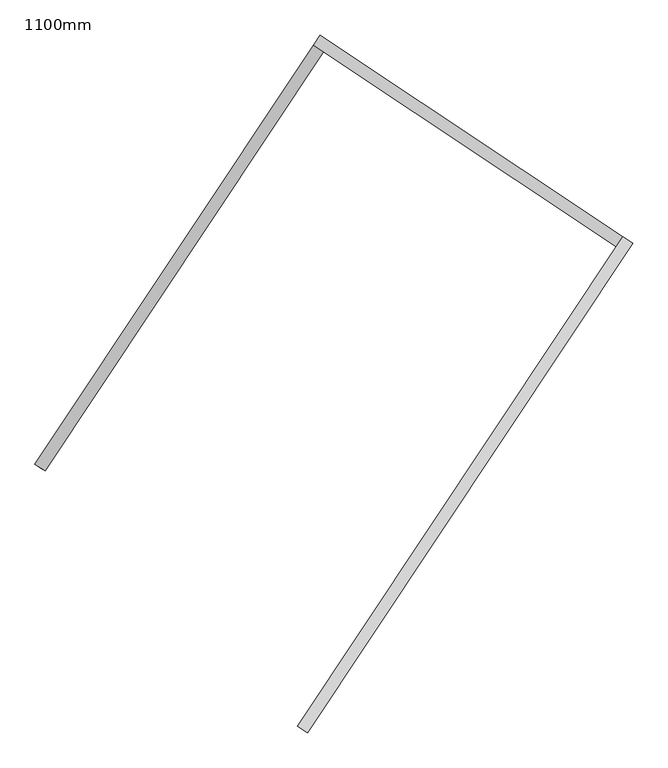
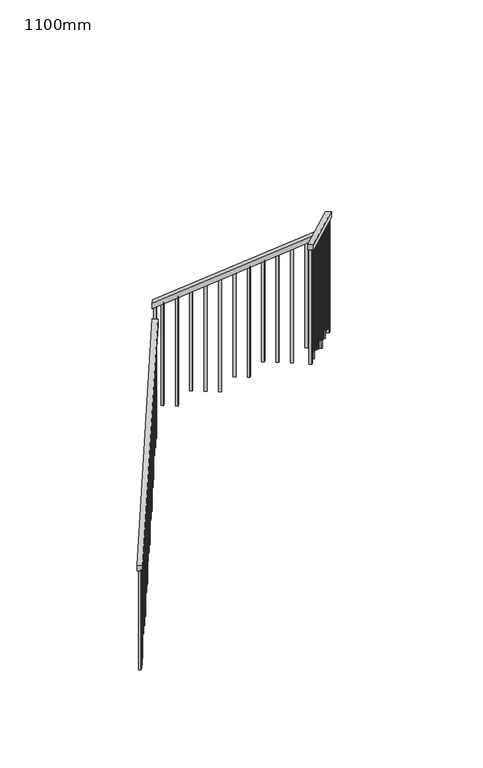
"""IFC4 building model written with IfcOpenShell, lengths in millimetres: railing geometry, 1100mm."""

from ifc_helpers import new_model, si_unit, frame, origin, place, context, project, spatial, polyline, outline, extrude, source, transform, mapped, element, save


def railing_1100mm_6394d44f(model_context):
    return source(origin(), model_context, "Body", "SweptSolid", [
        extrude(outline(polyline([(27.7777778, -50.0000001), (0.0, 0.0), (2374.1723105, 0.0), (2401.9500883, -50.0000001), (27.7777778, -50.0000001)])), frame((-240410.9600837, 66972.032333, 1889.4687214), z_axis=(-0.8325833518276936, 0.5538997763669554, 0.0), x_axis=(0.484195519753174, 0.7278087949776981, 0.48564293117893187)), (0.0, 0.0, 1.0), 50.0),
        extrude(outline(polyline([(27.7777778, -50.0), (0.0, 0.0), (1716.8535239, 1e-07), (1744.6313018, -50.0), (27.7777778, -50.0)])), frame((-239303.0256555, 68727.6708102, 3208.6909437), z_axis=(0.553899776367991, 0.8325833518270044, 0.0), x_axis=(0.7278087949775176, -0.4841955197543606, 0.4856429311780193)), (0.0, 0.0, 1.0), 50.0),
        extrude(outline(polyline([(-27.7777778, -50.0), (0.0, 0.0), (2774.5579271, 0.0), (2746.7801493, -50.0), (-27.7777778, -50.0)])), frame((-237984.1604046, 67910.3122046, 4265.8888889), z_axis=(-0.8325833518275974, 0.5538997763671002, 0.0), x_axis=(-0.48419551975350505, -0.7278087949779197, 0.4856429311782695)), (0.0, 0.0, 1.0), 50.0),
        extrude(outline(polyline([(1260.6353881, -24.9999999), (106.9444445, -24.9999999), (93.0555556, 0.0), (1260.6353881, 0.0), (1260.6353881, -24.9999999)])), frame((-239296.232171, 65960.6650751, 5607.3020548), z_axis=(-0.8325833518276005, 0.5538997763670953, 0.0), x_axis=(0.0, 0.0, -1.0)), (0.0, 0.0, 1.0), 25.0),
        extrude(outline(polyline([(1191.1909436, -25.0), (106.9444444, -25.0), (93.0555555, 0.0), (1191.1909436, 0.0), (1191.1909436, -25.0)])), frame((-239226.9946989, 66064.737994, 5537.8576103), z_axis=(-0.8325833518276005, 0.5538997763670953, 0.0), x_axis=(0.0, 0.0, -1.0)), (0.0, 0.0, 1.0), 25.0),
        extrude(outline(polyline([(1288.4131659, -25.0), (106.9444445, -25.0), (93.0555556, 0.0), (1288.4131659, 0.0), (1288.4131659, -25.0)])), frame((-239157.7572269, 66168.810913, 5468.4131659), z_axis=(-0.8325833518276005, 0.5538997763670953, 0.0), x_axis=(0.0, 0.0, -1.0)), (0.0, 0.0, 1.0), 25.0),
        extrude(outline(polyline([(1218.9687214, -25.0), (106.9444444, -25.0), (93.0555555, 0.0), (1218.9687214, 0.0), (1218.9687214, -25.0)])), frame((-239088.5197548, 66272.883832, 5398.9687214), z_axis=(-0.8325833518276005, 0.5538997763670953, 0.0), x_axis=(0.0, 0.0, -1.0)), (0.0, 0.0, 1.0), 25.0),
        extrude(outline(polyline([(1149.524277, -25.0), (106.9444445, -25.0), (93.0555556, 0.0), (1149.524277, 0.0), (1149.524277, -25.0)])), frame((-239019.2822828, 66376.956751, 5329.524277), z_axis=(-0.8325833518276005, 0.5538997763670953, 0.0), x_axis=(0.0, 0.0, -1.0)), (0.0, 0.0, 1.0), 25.0),
        extrude(outline(polyline([(1246.7464992, -25.0000001), (106.9444444, -25.0000001), (93.0555555, 0.0), (1246.7464992, 0.0), (1246.7464992, -25.0000001)])), frame((-238950.0448108, 66481.0296699, 5260.0798325), z_axis=(-0.8325833518276005, 0.5538997763670953, 0.0), x_axis=(0.0, 0.0, -1.0)), (0.0, 0.0, 1.0), 25.0),
        extrude(outline(polyline([(1177.3020548, -25.0), (106.9444444, -25.0), (93.0555555, 0.0), (1177.3020548, 0.0), (1177.3020548, -25.0)])), frame((-238880.8073387, 66585.1025889, 5190.6353881), z_axis=(-0.8325833518276005, 0.5538997763670953, 0.0), x_axis=(0.0, 0.0, -1.0)), (0.0, 0.0, 1.0), 25.0),
        extrude(outline(polyline([(1274.524277, -25.0000001), (106.9444445, -25.0000001), (93.0555556, 0.0), (1274.524277, 0.0), (1274.524277, -25.0000001)])), frame((-238811.5698667, 66689.1755079, 5121.1909437), z_axis=(-0.8325833518276005, 0.5538997763670953, 0.0), x_axis=(0.0, 0.0, -1.0)), (0.0, 0.0, 1.0), 25.0),
        extrude(outline(polyline([(1205.0798325, -25.0), (106.9444444, -25.0), (93.0555555, 0.0), (1205.0798325, 0.0), (1205.0798325, -25.0)])), frame((-238742.3323946, 66793.2484269, 5051.7464992), z_axis=(-0.8325833518276005, 0.5538997763670953, 0.0), x_axis=(0.0, 0.0, -1.0)), (0.0, 0.0, 1.0), 25.0),
        extrude(outline(polyline([(1302.3020548, -25.0), (106.9444445, -25.0), (93.0555556, 0.0), (1302.3020548, 0.0), (1302.3020548, -25.0)])), frame((-238673.0949226, 66897.3213459, 4982.3020548), z_axis=(-0.8325833518276005, 0.5538997763670953, 0.0), x_axis=(0.0, 0.0, -1.0)), (0.0, 0.0, 1.0), 25.0),
        extrude(outline(polyline([(1232.8576103, -25.0), (106.9444444, -25.0), (93.0555555, 0.0), (1232.8576103, 0.0), (1232.8576103, -25.0)])), frame((-238603.8574505, 67001.3942648, 4912.8576103), z_axis=(-0.8325833518276005, 0.5538997763670953, 0.0), x_axis=(0.0, 0.0, -1.0)), (0.0, 0.0, 1.0), 25.0),
        extrude(outline(polyline([(1163.4131659, -25.0), (106.9444445, -25.0), (93.0555556, 0.0), (1163.4131659, 0.0), (1163.4131659, -25.0)])), frame((-238534.6199785, 67105.4671838, 4843.4131659), z_axis=(-0.8325833518276005, 0.5538997763670953, 0.0), x_axis=(0.0, 0.0, -1.0)), (0.0, 0.0, 1.0), 25.0),
        extrude(outline(polyline([(1260.6353881, -25.0), (106.9444444, -25.0), (93.0555555, 0.0), (1260.6353881, 0.0), (1260.6353881, -25.0)])), frame((-238465.3825064, 67209.5401028, 4773.9687214), z_axis=(-0.8325833518276005, 0.5538997763670953, 0.0), x_axis=(0.0, 0.0, -1.0)), (0.0, 0.0, 1.0), 25.0),
        extrude(outline(polyline([(1191.1909437, -25.0), (106.9444445, -25.0), (93.0555556, 0.0), (1191.1909437, 0.0), (1191.1909437, -25.0)])), frame((-238396.1450344, 67313.6130218, 4704.524277), z_axis=(-0.8325833518276005, 0.5538997763670953, 0.0), x_axis=(0.0, 0.0, -1.0)), (0.0, 0.0, 1.0), 25.0),
        extrude(outline(polyline([(1288.4131658, -25.0), (106.9444444, -25.0), (93.0555555, 0.0), (1288.4131658, 0.0), (1288.4131658, -25.0)])), frame((-238326.9075623, 67417.6859407, 4635.0798325), z_axis=(-0.8325833518276005, 0.5538997763670953, 0.0), x_axis=(0.0, 0.0, -1.0)), (0.0, 0.0, 1.0), 25.0),
        extrude(outline(polyline([(1218.9687214, -25.0), (106.9444444, -25.0), (93.0555556, 0.0), (1218.9687214, 0.0), (1218.9687214, -25.0)])), frame((-238257.6700903, 67521.7588597, 4565.6353881), z_axis=(-0.8325833518276005, 0.5538997763670953, 0.0), x_axis=(0.0, 0.0, -1.0)), (0.0, 0.0, 1.0), 25.0),
        extrude(outline(polyline([(1149.524277, -25.0), (106.9444445, -25.0), (93.0555556, 0.0), (1149.524277, 0.0), (1149.524277, -25.0)])), frame((-238188.4326182, 67625.8317787, 4496.1909437), z_axis=(-0.8325833518276005, 0.5538997763670953, 0.0), x_axis=(0.0, 0.0, -1.0)), (0.0, 0.0, 1.0), 25.0),
        extrude(outline(polyline([(1246.7464992, -25.0), (106.9444444, -25.0), (93.0555555, 0.0), (1246.7464992, 0.0), (1246.7464992, -25.0)])), frame((-238119.1951462, 67729.9046977, 4426.7464992), z_axis=(-0.8325833518276005, 0.5538997763670953, 0.0), x_axis=(0.0, 0.0, -1.0)), (0.0, 0.0, 1.0), 25.0),
        extrude(outline(polyline([(1177.3020548, -25.0000001), (106.9444445, -25.0000001), (93.0555556, 0.0), (1177.3020548, 0.0), (1177.3020548, -25.0000001)])), frame((-238049.9576742, 67833.9776167, 4357.3020548), z_axis=(-0.8325833518276005, 0.5538997763670953, 0.0), x_axis=(0.0, 0.0, -1.0)), (0.0, 0.0, 1.0), 25.0),
        extrude(outline(polyline([(106.9444445, 0.0), (1274.524277, 0.0), (1274.524277, -25.0), (93.0555556, -25.0), (106.9444445, 0.0)])), frame((-238088.8560481, 67934.9234264, 4121.1909437), z_axis=(0.5538997763679938, 0.8325833518270027, 0.0), x_axis=(0.0, 0.0, -1.0)), (0.0, 0.0, 1.0), 25.0),
        extrude(outline(polyline([(106.9444444, 0.0), (1205.0798325, 0.0), (1205.0798325, -25.0000001), (93.0555555, -25.0000001), (106.9444444, 0.0)])), frame((-238192.9289671, 68004.1608985, 4051.7464992), z_axis=(0.5538997763679938, 0.8325833518270027, 0.0), x_axis=(0.0, 0.0, -1.0)), (0.0, 0.0, 1.0), 25.0),
        extrude(outline(polyline([(106.9444445, 0.0), (1302.3020548, 0.0), (1302.3020548, -25.0), (93.0555556, -25.0), (106.9444445, 0.0)])), frame((-238297.0018861, 68073.3983705, 3982.3020548), z_axis=(0.5538997763679938, 0.8325833518270027, 0.0), x_axis=(0.0, 0.0, -1.0)), (0.0, 0.0, 1.0), 25.0),
        extrude(outline(polyline([(106.9444444, 0.0), (1232.8576103, 0.0), (1232.8576103, -25.0), (93.0555555, -25.0), (106.9444444, 0.0)])), frame((-238401.074805, 68142.6358425, 3912.8576103), z_axis=(0.5538997763679938, 0.8325833518270027, 0.0), x_axis=(0.0, 0.0, -1.0)), (0.0, 0.0, 1.0), 25.0),
        extrude(outline(polyline([(106.9444445, 0.0), (1163.4131659, 0.0), (1163.4131659, -25.0), (93.0555556, -25.0), (106.9444445, 0.0)])), frame((-238505.147724, 68211.8733146, 3843.4131659), z_axis=(0.5538997763679938, 0.8325833518270027, 0.0), x_axis=(0.0, 0.0, -1.0)), (0.0, 0.0, 1.0), 25.0),
        extrude(outline(polyline([(106.9444444, 0.0), (1260.6353881, 0.0), (1260.6353881, -25.0), (93.0555555, -25.0), (106.9444444, 0.0)])), frame((-238609.220643, 68281.1107866, 3773.9687214), z_axis=(0.5538997763679938, 0.8325833518270027, 0.0), x_axis=(0.0, 0.0, -1.0)), (0.0, 0.0, 1.0), 25.0),
        extrude(outline(polyline([(106.9444445, 0.0), (1191.1909437, 0.0), (1191.1909437, -25.0), (93.0555556, -25.0), (106.9444445, 0.0)])), frame((-238713.293562, 68350.3482587, 3704.524277), z_axis=(0.5538997763679938, 0.8325833518270027, 0.0), x_axis=(0.0, 0.0, -1.0)), (0.0, 0.0, 1.0), 25.0),
        extrude(outline(polyline([(106.9444444, 0.0), (1288.4131658, 0.0), (1288.4131658, -24.9999999), (93.0555555, -24.9999999), (106.9444444, 0.0)])), frame((-238817.3664809, 68419.5857307, 3635.0798325), z_axis=(0.5538997763679938, 0.8325833518270027, 0.0), x_axis=(0.0, 0.0, -1.0)), (0.0, 0.0, 1.0), 25.0),
        extrude(outline(polyline([(106.9444444, 0.0), (1218.9687214, 0.0), (1218.9687214, -25.0), (93.0555556, -25.0), (106.9444444, 0.0)])), frame((-238921.4393999, 68488.8232028, 3565.6353881), z_axis=(0.5538997763679938, 0.8325833518270027, 0.0), x_axis=(0.0, 0.0, -1.0)), (0.0, 0.0, 1.0), 25.0),
        extrude(outline(polyline([(106.9444445, 0.0), (1149.524277, 0.0), (1149.524277, -25.0), (93.0555556, -25.0), (106.9444445, 0.0)])), frame((-239025.5123189, 68558.0606748, 3496.1909437), z_axis=(0.5538997763679938, 0.8325833518270027, 0.0), x_axis=(0.0, 0.0, -1.0)), (0.0, 0.0, 1.0), 25.0),
        extrude(outline(polyline([(106.9444444, 0.0), (1246.7464992, 0.0), (1246.7464992, -25.0), (93.0555555, -25.0), (106.9444444, 0.0)])), frame((-239129.5852379, 68627.2981469, 3426.7464992), z_axis=(0.5538997763679938, 0.8325833518270027, 0.0), x_axis=(0.0, 0.0, -1.0)), (0.0, 0.0, 1.0), 25.0),
        extrude(outline(polyline([(106.9444445, 0.0), (1177.3020548, 0.0), (1177.3020548, -25.0), (93.0555556, -25.0), (106.9444445, 0.0)])), frame((-239233.6581569, 68696.5356189, 3357.3020548), z_axis=(0.5538997763679938, 0.8325833518270027, 0.0), x_axis=(0.0, 0.0, -1.0)), (0.0, 0.0, 1.0), 25.0),
        extrude(outline(polyline([(106.9444445, 0.0), (1288.6353881, 0.0), (1288.6353881, -25.0), (93.0555556, -25.0), (106.9444445, 0.0)])), frame((-239285.8728341, 68685.7519515, 3135.3020548), z_axis=(-0.8325833518276953, 0.5538997763669528, 0.0), x_axis=(0.0, 0.0, -1.0)), (0.0, 0.0, 1.0), 25.0),
        extrude(outline(polyline([(106.9444444, 0.0), (1219.1909436, 0.0), (1219.1909436, -25.0), (93.0555555, -25.0), (106.9444444, 0.0)])), frame((-239355.1103061, 68581.6790325, 3065.8576103), z_axis=(-0.8325833518276953, 0.5538997763669528, 0.0), x_axis=(0.0, 0.0, -1.0)), (0.0, 0.0, 1.0), 25.0),
        extrude(outline(polyline([(106.9444445, 0.0), (1149.7464992, 0.0), (1149.7464992, -25.0), (93.0555556, -25.0), (106.9444445, 0.0)])), frame((-239424.3477782, 68477.6061135, 2996.4131659), z_axis=(-0.8325833518276953, 0.5538997763669528, 0.0), x_axis=(0.0, 0.0, -1.0)), (0.0, 0.0, 1.0), 25.0),
        extrude(outline(polyline([(106.9444444, 0.0), (1246.9687214, 0.0), (1246.9687214, -25.0), (93.0555555, -25.0), (106.9444444, 0.0)])), frame((-239493.5852502, 68373.5331946, 2926.9687214), z_axis=(-0.8325833518276953, 0.5538997763669528, 0.0), x_axis=(0.0, 0.0, -1.0)), (0.0, 0.0, 1.0), 25.0),
        extrude(outline(polyline([(106.9444445, 0.0), (1177.524277, 0.0), (1177.524277, -25.0), (93.0555556, -25.0), (106.9444445, 0.0)])), frame((-239562.8227223, 68269.4602756, 2857.524277), z_axis=(-0.8325833518276953, 0.5538997763669528, 0.0), x_axis=(0.0, 0.0, -1.0)), (0.0, 0.0, 1.0), 25.0),
        extrude(outline(polyline([(106.9444444, 0.0), (1274.7464992, 0.0), (1274.7464992, -25.0), (93.0555555, -25.0), (106.9444444, 0.0)])), frame((-239632.0601943, 68165.3873566, 2788.0798325), z_axis=(-0.8325833518276953, 0.5538997763669528, 0.0), x_axis=(0.0, 0.0, -1.0)), (0.0, 0.0, 1.0), 25.0),
        extrude(outline(polyline([(106.9444444, 0.0), (1205.3020548, 0.0), (1205.3020548, -25.0000001), (93.0555556, -25.0000001), (106.9444444, 0.0)])), frame((-239701.2976664, 68061.3144376, 2718.6353881), z_axis=(-0.8325833518276953, 0.5538997763669528, 0.0), x_axis=(0.0, 0.0, -1.0)), (0.0, 0.0, 1.0), 25.0),
        extrude(outline(polyline([(106.9444445, 0.0), (1302.524277, 0.0), (1302.524277, -25.0), (93.0555556, -25.0), (106.9444445, 0.0)])), frame((-239770.5351384, 67957.2415186, 2649.1909437), z_axis=(-0.8325833518276953, 0.5538997763669528, 0.0), x_axis=(0.0, 0.0, -1.0)), (0.0, 0.0, 1.0), 25.0),
        extrude(outline(polyline([(106.9444444, 0.0), (1233.0798325, 0.0), (1233.0798325, -25.0), (93.0555555, -25.0), (106.9444444, 0.0)])), frame((-239839.7726104, 67853.1685997, 2579.7464992), z_axis=(-0.8325833518276953, 0.5538997763669528, 0.0), x_axis=(0.0, 0.0, -1.0)), (0.0, 0.0, 1.0), 25.0),
        extrude(outline(polyline([(106.9444445, 0.0), (1163.6353881, 0.0), (1163.6353881, -25.0), (93.0555556, -25.0), (106.9444445, 0.0)])), frame((-239909.0100825, 67749.0956807, 2510.3020548), z_axis=(-0.8325833518276953, 0.5538997763669528, 0.0), x_axis=(0.0, 0.0, -1.0)), (0.0, 0.0, 1.0), 25.0),
        extrude(outline(polyline([(106.9444444, 0.0), (1260.8576103, 0.0), (1260.8576103, -25.0), (93.0555555, -25.0), (106.9444444, 0.0)])), frame((-239978.2475545, 67645.0227617, 2440.8576103), z_axis=(-0.8325833518276953, 0.5538997763669528, 0.0), x_axis=(0.0, 0.0, -1.0)), (0.0, 0.0, 1.0), 25.0),
        extrude(outline(polyline([(106.9444445, 0.0), (1191.4131659, 0.0), (1191.4131659, -25.0), (93.0555556, -25.0), (106.9444445, 0.0)])), frame((-240047.4850266, 67540.9498427, 2371.4131659), z_axis=(-0.8325833518276953, 0.5538997763669528, 0.0), x_axis=(0.0, 0.0, -1.0)), (0.0, 0.0, 1.0), 25.0),
        extrude(outline(polyline([(106.9444444, 0.0), (1288.6353881, 0.0), (1288.6353881, -25.0), (93.0555555, -25.0), (106.9444444, 0.0)])), frame((-240116.7224986, 67436.8769237, 2301.9687214), z_axis=(-0.8325833518276953, 0.5538997763669528, 0.0), x_axis=(0.0, 0.0, -1.0)), (0.0, 0.0, 1.0), 25.0),
        extrude(outline(polyline([(106.9444445, 0.0), (1219.1909437, 0.0), (1219.1909437, -25.0), (93.0555556, -25.0), (106.9444445, 0.0)])), frame((-240185.9599707, 67332.8040048, 2232.524277), z_axis=(-0.8325833518276953, 0.5538997763669528, 0.0), x_axis=(0.0, 0.0, -1.0)), (0.0, 0.0, 1.0), 25.0),
        extrude(outline(polyline([(106.9444444, 0.0), (1149.7464992, 0.0), (1149.7464992, -25.0), (93.0555555, -25.0), (106.9444444, 0.0)])), frame((-240255.1974427, 67228.7310858, 2163.0798325), z_axis=(-0.8325833518276953, 0.5538997763669528, 0.0), x_axis=(0.0, 0.0, -1.0)), (0.0, 0.0, 1.0), 25.0),
        extrude(outline(polyline([(106.9444444, 0.0), (1246.9687214, 0.0), (1246.9687214, -25.0), (93.0555556, -25.0), (106.9444444, 0.0)])), frame((-240324.4349148, 67124.6581668, 2093.6353881), z_axis=(-0.8325833518276953, 0.5538997763669528, 0.0), x_axis=(0.0, 0.0, -1.0)), (0.0, 0.0, 1.0), 25.0),
        extrude(outline(polyline([(106.9444445, 0.0), (1177.524277, 0.0), (1177.524277, -25.0), (93.0555556, -25.0), (106.9444445, 0.0)])), frame((-240393.6723868, 67020.5852478, 2024.1909437), z_axis=(-0.8325833518276953, 0.5538997763669528, 0.0), x_axis=(0.0, 0.0, -1.0)), (0.0, 0.0, 1.0), 25.0),
        extrude(outline(polyline([(1309.2464993, -24.9999999), (106.9444445, -24.9999999), (93.0555556, 0.0), (1309.2464993, 0.0), (1309.2464993, -24.9999999)])), frame((-238015.3389381, 67886.0140762, 4322.5798326), z_axis=(-0.8325833518276005, 0.5538997763670953, 0.0), x_axis=(0.0, 0.0, -1.0)), (0.0, 0.0, 1.0), 25.0),
        extrude(outline(polyline([(106.9444445, 0.0), (1309.2464993, 0.0), (1309.2464993, -25.0), (93.0555556, -25.0), (106.9444445, 0.0)])), frame((-239285.6946164, 68731.1543549, 3322.5798326), z_axis=(0.5538997763679938, 0.8325833518270027, 0.0), x_axis=(0.0, 0.0, -1.0)), (0.0, 0.0, 1.0), 25.0),
        extrude(outline(polyline([(1302.524277, -25.0), (106.9444445, -25.0), (93.0555556, 0.0), (1302.524277, 0.0), (1302.524277, -25.0)])), frame((-239337.9962141, 65897.8882903, 5649.1909437), z_axis=(-0.8325833518276005, 0.5538997763670953, 0.0), x_axis=(0.0, 0.0, -1.0)), (0.0, 0.0, 1.0), 25.0),
        extrude(outline(polyline([(106.9444445, 0.0), (1149.7464992, 0.0), (1149.7464992, -25.0), (93.0555556, -25.0), (106.9444445, 0.0)])), frame((-240421.3673756, 66978.9560802, 1996.4131659), z_axis=(-0.8325833518276953, 0.5538997763669528, 0.0), x_axis=(0.0, 0.0, -1.0)), (0.0, 0.0, 1.0), 25.0),
    ])


if __name__ == "__main__":
    model = new_model("IFC4")
    model_context = context("Model", 3, world=origin())
    ifc_project = project(units=[si_unit("LENGTHUNIT", "METRE", prefix="MILLI")], contexts=[model_context])
    site = spatial("IfcSite", under=ifc_project)
    building = spatial("IfcBuilding", under=site)
    placement = place(None, origin())
    railing_1100mm_shape = railing_1100mm_6394d44f(model_context)
    element("IfcRailing", 1, ObjectType="1100mm", at=placement, inside=building, context=model_context, shape_type="MappedRepresentation", body=[
        mapped(railing_1100mm_shape, transform((0.0, 0.0, 0.0), x_axis=(1.0, 0.0, 0.0), y_axis=(0.0, 1.0, 0.0), z_axis=(0.0, 0.0, 1.0))),
    ])
    save(model, "model.ifc")
